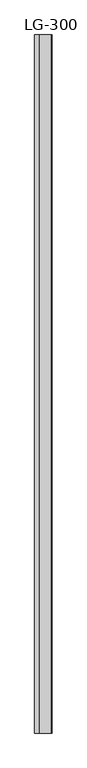
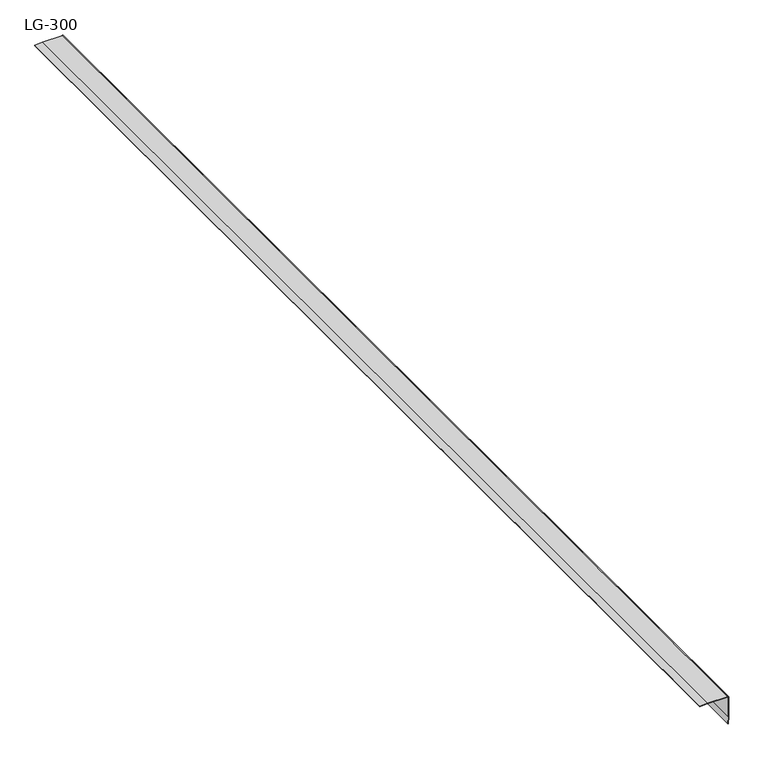
"""IFC4 building model written with IfcOpenShell, lengths in millimetres: proxy geometry, LG-300."""

import ifcopenshell
import ifcopenshell.guid

model = None  # the IFC model being written
_history = None  # IfcOwnerHistory: only IFC2X3 demands one
_inside = {}  # id of a spatial element -> (the spatial element, [elements in it])
_under = {}  # id of a project, library or spatial element -> (it, [spatial elements below it])
_declared = {}  # id of a project -> (the project, [libraries it declares])
_typed = {}  # id of a type object -> (the type object, [elements of that type])
_made_of = {}  # id of a material, layer set ... -> (it, [elements and type objects made of it])


def new_model(schema):
    """Start an empty IFC model of exactly this schema.

    Asked for "IFC4X3", IfcOpenShell would pick the latest addendum, in which some entities
    have other attributes; the version numbers below select the first issue.
    IFC2X3 requires an IfcOwnerHistory on every rooted entity: one is made here for all.
    """
    global model, _history
    if schema == "IFC4X3":
        model = ifcopenshell.file(schema_version=(4, 3, 0, 0))
    else:
        model = ifcopenshell.file(schema=schema)
    _inside.clear()
    _under.clear()
    _declared.clear()
    _typed.clear()
    _made_of.clear()
    _history = None
    if model.schema == "IFC2X3":
        org = make("IfcOrganization", Name="unknown")
        user = make(
            "IfcPersonAndOrganization",
            ThePerson=make("IfcPerson", FamilyName="unknown"),
            TheOrganization=org,
        )
        app = make(
            "IfcApplication",
            ApplicationDeveloper=org,
            Version="unknown",
            ApplicationFullName="unknown",
            ApplicationIdentifier="unknown",
        )
        _history = make(
            "IfcOwnerHistory",
            OwningUser=user,
            OwningApplication=app,
            ChangeAction="ADDED",
            CreationDate=0,
        )
    return model


def make(cls, **values):
    """One entity of the class cls with the attributes given. An attribute that is None is left unset."""
    return model.create_entity(
        cls, **{name: value for name, value in values.items() if value is not None}
    )


def rooted(cls, **values):
    """An entity with a GlobalId (a new one), such as an element, a storey or a relation."""
    return make(cls, GlobalId=ifcopenshell.guid.new(), OwnerHistory=_history, **values)


def si_unit(unit_type, name, prefix=None):
    """IfcSIUnit, for example si_unit("LENGTHUNIT", "METRE", prefix="MILLI")."""
    return make("IfcSIUnit", UnitType=unit_type, Prefix=prefix, Name=name)


def assignment(units):
    """IfcUnitAssignment: the units of a project."""
    return None if units is None else make("IfcUnitAssignment", Units=units)


def point(xyz):
    """IfcCartesianPoint."""
    return None if xyz is None else make("IfcCartesianPoint", Coordinates=xyz)


def direction(xyz):
    """IfcDirection."""
    return None if xyz is None else make("IfcDirection", DirectionRatios=xyz)


def frame(location, z_axis=None, x_axis=None):
    """IfcAxis2Placement3D, a coordinate frame: its origin and axes. An axis left out is left unset."""
    return make(
        "IfcAxis2Placement3D",
        Location=point(location),
        Axis=direction(z_axis),
        RefDirection=direction(x_axis),
    )


def origin():
    """The frame at (0, 0, 0) with its axes left unset."""
    return frame((0.0, 0.0, 0.0))


def place(relative_to, where):
    """IfcLocalPlacement: puts the frame where relative to a parent placement (None: the world)."""
    return make(
        "IfcLocalPlacement", PlacementRelTo=relative_to, RelativePlacement=where
    )


def context(
    kind, dimensions, precision=None, world=None, true_north=None, identifier=None
):
    """IfcGeometricRepresentationContext, for example the 3D "Model" context."""
    return make(
        "IfcGeometricRepresentationContext",
        ContextIdentifier=identifier,
        ContextType=kind,
        CoordinateSpaceDimension=dimensions,
        Precision=precision,
        WorldCoordinateSystem=world,
        TrueNorth=true_north,
    )


def project(units=None, contexts=None):
    """IfcProject with its units and contexts."""
    return rooted(
        "IfcProject",
        Name="project",
        RepresentationContexts=contexts,
        UnitsInContext=assignment(units),
    )


def spatial(cls, under=None, at=None, **own):
    """A site, building, storey or space (cls), placed at a placement, below another one or the project."""
    s = rooted(cls, ObjectPlacement=at, **own)
    if under is not None:
        _under.setdefault(under.id(), (under, []))[1].append(s)
    return s


def polyline(points):
    """IfcPolyline through the points."""
    return make("IfcPolyline", Points=[point(p) for p in points])


def circle_curve(where, radius):
    """IfcCircle in the frame where."""
    return make("IfcCircle", Position=where, Radius=radius)


def shape(context_of_items, identifier, shape_type, items):
    """IfcShapeRepresentation: the items that make up one representation, for example the "Body"."""
    return make(
        "IfcShapeRepresentation",
        ContextOfItems=context_of_items,
        RepresentationIdentifier=identifier,
        RepresentationType=shape_type,
        Items=items,
    )


def source(mapping_origin, context_of_items, identifier, shape_type, items):
    """IfcRepresentationMap: a shape defined once, which mapped items show again and again."""
    return make(
        "IfcRepresentationMap",
        MappingOrigin=mapping_origin,
        MappedRepresentation=shape(context_of_items, identifier, shape_type, items),
    )


def transform(
    local_origin,
    x_axis=None,
    y_axis=None,
    z_axis=None,
    scale=None,
    scale2=None,
    scale3=None,
    uniform=True,
):
    """IfcCartesianTransformationOperator3D, or its non-uniform kind. x_axis, y_axis, z_axis: its Axis1, 2, 3."""
    if uniform:
        return make(
            "IfcCartesianTransformationOperator3D",
            Axis1=direction(x_axis),
            Axis2=direction(y_axis),
            LocalOrigin=point(local_origin),
            Scale=scale,
            Axis3=direction(z_axis),
        )
    return make(
        "IfcCartesianTransformationOperator3DnonUniform",
        Axis1=direction(x_axis),
        Axis2=direction(y_axis),
        LocalOrigin=point(local_origin),
        Scale=scale,
        Axis3=direction(z_axis),
        Scale2=scale2,
        Scale3=scale3,
    )


def mapped(mapping_source, mapping_target):
    """IfcMappedItem: shows the shape of a source again, moved by a transform."""
    return make(
        "IfcMappedItem", MappingSource=mapping_source, MappingTarget=mapping_target
    )


def made_of(thing, what):
    """Note that an element or type object is made of a material, layer set ...; save() writes the relation."""
    if what is not None:
        _made_of.setdefault(what.id(), (what, []))[1].append(thing)
    return thing


def element(
    cls,
    number,
    at=None,
    inside=None,
    cuts=None,
    type_object=None,
    material=None,
    context=None,
    identifier="Body",
    shape_type=None,
    held_by="IfcProductDefinitionShape",
    body=None,
    shapes=None,
    **own,
):
    """One element of the class cls, such as IfcWall. Its Tag is "e" and its number.

    at: its placement. inside: the storey or other place that contains it. cuts: it is an
    opening in that element (IfcRelVoidsElement). A single representation is given by context,
    identifier, shape_type and body (its items); several are given by shapes. held_by: the class
    of the entity that holds the representations. save() writes the other relations.
    """
    e = rooted(cls, Tag="e%d" % number, ObjectPlacement=at, **own)
    if body is not None:
        shapes = [shape(context, identifier, shape_type, body)]
    if shapes is not None:
        e.Representation = make(held_by, Representations=shapes)
    if inside is not None:
        _inside.setdefault(inside.id(), (inside, []))[1].append(e)
    if cuts is not None:
        rooted(
            "IfcRelVoidsElement", RelatingBuildingElement=cuts, RelatedOpeningElement=e
        )
    if type_object is not None:
        _typed.setdefault(type_object.id(), (type_object, []))[1].append(e)
    return made_of(e, material)


def aggregate(whole, parts):
    """IfcRelAggregates: a whole, such as a stair, and the parts it consists of."""
    return rooted("IfcRelAggregates", RelatingObject=whole, RelatedObjects=parts)


def save(model, path):
    """Write the relations noted so far, then the file.

    IfcRelAggregates (storeys below a building ...), IfcRelContainedInSpatialStructure (elements
    in a storey), IfcRelDefinesByType, IfcRelAssociatesMaterial and IfcRelDeclares: one each for
    every whole, place, type object, material and project.
    """
    for whole, parts in _under.values():
        aggregate(whole, parts)
    for where, things in _inside.values():
        rooted(
            "IfcRelContainedInSpatialStructure",
            RelatedElements=things,
            RelatingStructure=where,
        )
    for kind, things in _typed.values():
        rooted("IfcRelDefinesByType", RelatedObjects=things, RelatingType=kind)
    for what, things in _made_of.values():
        rooted("IfcRelAssociatesMaterial", RelatedObjects=things, RelatingMaterial=what)
    for by, libraries in _declared.values():
        rooted("IfcRelDeclares", RelatingContext=by, RelatedDefinitions=libraries)
    model.write(path)


def plane_surface(at):
    """IfcPlane: the flat surface through the origin of the frame at, square to its z axis."""
    return make("IfcPlane", Position=at)


def cylinder_surface(at, radius):
    """IfcCylindricalSurface: all points at the distance radius from the z axis of the frame at."""
    return make("IfcCylindricalSurface", Position=at, Radius=radius)


def revolved_surface(curve, axis_point, axis_direction):
    """IfcSurfaceOfRevolution: the curve turned about the line through axis_point along axis_direction."""
    return make(
        "IfcSurfaceOfRevolution",
        SweptCurve=make("IfcArbitraryOpenProfileDef", ProfileType="CURVE", Curve=curve),
        AxisPosition=make("IfcAxis1Placement", Location=point(axis_point), Axis=direction(axis_direction)),
    )


def advanced_brep(points, edges, surfaces, faces):
    """IfcAdvancedBrep: a solid bounded by faces that lie on surfaces and meet in shared edges.

    An edge is (start, end): straight between two places in points (the first is 0);
    or (start, end, curve); or (start, end, curve, False) where it runs against its curve.
    A face is (place in surfaces, loops), or (place, loops, False) where it looks against
    its surface's normal. A loop lists edges by number (the first is 1), with a minus sign
    where the edge is run from its end to its start. The first loop is the outer one.
    """
    corners = [point(p) for p in points]
    vertices = [make("IfcVertexPoint", VertexGeometry=c) for c in corners]
    made = []
    for start, end, *more in edges:
        made.append(
            make(
                "IfcEdgeCurve",
                EdgeStart=vertices[start],
                EdgeEnd=vertices[end],
                EdgeGeometry=more[0] if more else make("IfcPolyline", Points=[corners[start], corners[end]]),
                SameSense=more[1] if len(more) > 1 else True,
            )
        )
    hull = []
    for where, loops, *sense in faces:
        bounds = []
        for j, loop in enumerate(loops):
            ring = [make("IfcOrientedEdge", EdgeElement=made[abs(k) - 1], Orientation=k > 0) for k in loop]
            bounds.append(
                make(
                    "IfcFaceOuterBound" if j == 0 else "IfcFaceBound",
                    Bound=make("IfcEdgeLoop", EdgeList=ring),
                    Orientation=True,
                )
            )
        hull.append(make("IfcAdvancedFace", Bounds=bounds, FaceSurface=surfaces[where], SameSense=sense[0] if sense else True))
    return make("IfcAdvancedBrep", Outer=make("IfcClosedShell", CfsFaces=hull))


def lg_300_a18e34bb(model_context):
    return source(origin(), model_context, "Body", "AdvancedBrep", [
        advanced_brep(
        [(-73.1601064, 1879.6, 0.9795213), (-54.1776596, 1879.6, 2.8710106), (-1.9421543, 1879.6, 2.837234), (2.8034574, 1879.6, -1.9083777), (2.837234, 1879.6, -54.143883), (0.9457447, 1879.6, -73.1601064), (0.0, 1879.6, -73.1601064), (0.9457447, 1879.6, -54.143883), (1.2926114, 1879.6, -1.9083776), (-1.9421543, 1879.6, 1.3172872), (-54.1776596, 1879.6, 0.9795213), (-73.1601064, 1879.6, 0.0), (-73.1601064, -1141.4125, 0.9795213), (-73.1601064, -1141.4125, 0.0), (-54.1776596, -1141.4125, 0.9795213), (-1.9421543, -1141.4125, 1.3172872), (1.2835106, -1141.4125, -1.9083777), (0.9457447, -1141.4125, -54.143883), (0.0, -1141.4125, -73.1601064), (0.9457447, -1141.4125, -73.1601064), (2.837234, -1141.4125, -54.143883), (2.8034574, -1141.4125, -1.9083777), (-1.9421543, -1141.4125, 2.837234), (-54.1776596, -1141.4125, 2.8710106)],
        [
            (0, 1),
            (1, 2),
            (2, 3, circle_curve(frame((-1.9421541, 1879.6, -1.9083775), z_axis=(0.0, 1.0, 0.0), x_axis=(0.0, 0.0, -1.0)), 4.7456116)),
            (3, 4),
            (4, 5),
            (5, 6),
            (6, 7),
            (7, 8),
            (8, 9, circle_curve(frame((-1.9421544, 1879.6, -1.9083778), z_axis=(0.0, -1.0, 0.0), x_axis=(0.0, 0.0, -1.0)), 3.225665)),
            (9, 10),
            (10, 11),
            (11, 0),
            (12, 13),
            (13, 14),
            (14, 15),
            (15, 16, circle_curve(frame((-1.9421544, -1141.4125, -1.9083778), z_axis=(0.0, 1.0, 0.0), x_axis=(0.0, 0.0, -1.0)), 3.225665)),
            (16, 17),
            (17, 18),
            (18, 19),
            (19, 20),
            (20, 21),
            (21, 22, circle_curve(frame((-1.9421541, -1141.4125, -1.9083775), z_axis=(0.0, -1.0, 0.0), x_axis=(0.0, 0.0, -1.0)), 4.7456116)),
            (22, 23),
            (23, 12),
            (0, 12),
            (23, 1),
            (10, 14),
            (13, 11),
            (9, 15),
            (22, 2),
            (4, 20),
            (19, 5),
            (7, 17),
            (16, 8),
            (3, 21),
            (6, 18),
        ],
        [
            plane_surface(frame((0.0, 1879.6, 0.0), z_axis=(0.0, 1.0, 0.0), x_axis=(0.0, 0.0, 1.0))),
            plane_surface(frame((0.0, -1141.4125, 0.0), z_axis=(0.0, -1.0, 0.0), x_axis=(0.0, 0.0, 1.0))),
            plane_surface(frame((-73.1601064, 1879.6, 0.9795213), z_axis=(-0.09915310074790604, 0.0, 0.9950721896486082), x_axis=(0.0, -1.0, 0.0))),
            plane_surface(frame((-54.1776596, 1879.6, 0.9795213), z_axis=(0.051532860645929796, 0.0, -0.9986712994142003), x_axis=(0.0, -1.0, 0.0))),
            plane_surface(frame((-1.9421543, 1879.6, 1.3172872), z_axis=(0.006466078853501081, 0.0, -0.9999790946936142), x_axis=(0.0, -1.0, 0.0))),
            plane_surface(frame((-54.1776596, 1879.6, 2.8710106), z_axis=(0.0006466212679845497, 0.0, 0.9999997909404461), x_axis=(0.0, -1.0, 0.0))),
            plane_surface(frame((2.837234, 1879.6, -54.143883), z_axis=(0.995089551030569, 0.0, -0.09897871200304025), x_axis=(0.0, -1.0, 0.0))),
            plane_surface(frame((0.9457447, 1879.6, -54.143883), z_axis=(-0.9999779530051863, 0.0, 0.006640293936066069), x_axis=(0.0, -1.0, 0.0))),
            plane_surface(frame((2.8034574, 1879.6, -1.9083777), z_axis=(0.999999790940446, 0.0, 0.0006466212679909446), x_axis=(0.0, -1.0, 0.0))),
            plane_surface(frame((-73.1601064, 1879.6, 0.0), z_axis=(-1.0, 0.0, 0.0), x_axis=(0.0, -1.0, 0.0))),
            plane_surface(frame((0.0, 1879.6, -73.1601064), z_axis=(-0.9987655754733009, 0.0, 0.049672177821049865), x_axis=(0.0, -1.0, 0.0))),
            revolved_surface(polyline([(-1.9421544, -1141.4125, -5.1340428), (-1.9421544, 1879.6, -5.1340428)]), (-1.9421544, 1879.6, -1.9083778), (0.0, -1.0, 0.0)),
            cylinder_surface(frame((-1.9421541, 1879.6, -1.9083775), z_axis=(0.0, 1.0, 0.0), x_axis=(0.0, 0.0, -1.0)), 4.7456116),
            plane_surface(frame((0.9457447, 1879.6, -73.1601064), z_axis=(0.0, 0.0, -1.0), x_axis=(0.0, -1.0, 0.0))),
        ],
        [
            (0, [[1, 2, 3, 4, 5, 6, 7, 8, 9, 10, 11, 12]]),
            (1, [[13, 14, 15, 16, 17, 18, 19, 20, 21, 22, 23, 24]]),
            (2, [[-1, 25, -24, 26]]),
            (3, [[-11, 27, -14, 28]]),
            (4, [[-10, 29, -15, -27]]),
            (5, [[-2, -26, -23, 30]]),
            (6, [[-5, 31, -20, 32]]),
            (7, [[-8, 33, -17, 34]]),
            (8, [[-4, 35, -21, -31]]),
            (9, [[-12, -28, -13, -25]]),
            (10, [[-7, 36, -18, -33]]),
            (11, [[-9, -34, -16, -29]]),
            (12, [[-3, -30, -22, -35]]),
            (13, [[-6, -32, -19, -36]]),
        ],
    ),
    ])


if __name__ == "__main__":
    model = new_model("IFC4")
    model_context = context("Model", 3, world=origin())
    ifc_project = project(units=[si_unit("LENGTHUNIT", "METRE", prefix="MILLI")], contexts=[model_context])
    site = spatial("IfcSite", under=ifc_project)
    building = spatial("IfcBuilding", under=site)
    placement = place(None, origin())
    lg_300_shape = lg_300_a18e34bb(model_context)
    element("IfcBuildingElementProxy", 1, Name="LG-300", ObjectType="LG-300", at=placement, inside=building, context=model_context, shape_type="MappedRepresentation", body=[
        mapped(lg_300_shape, transform((0.0, 0.0, 0.0), x_axis=(1.0, 0.0, 0.0), y_axis=(0.0, 1.0, 0.0), z_axis=(0.0, 0.0, 1.0))),
    ])
    save(model, "model.ifc")
